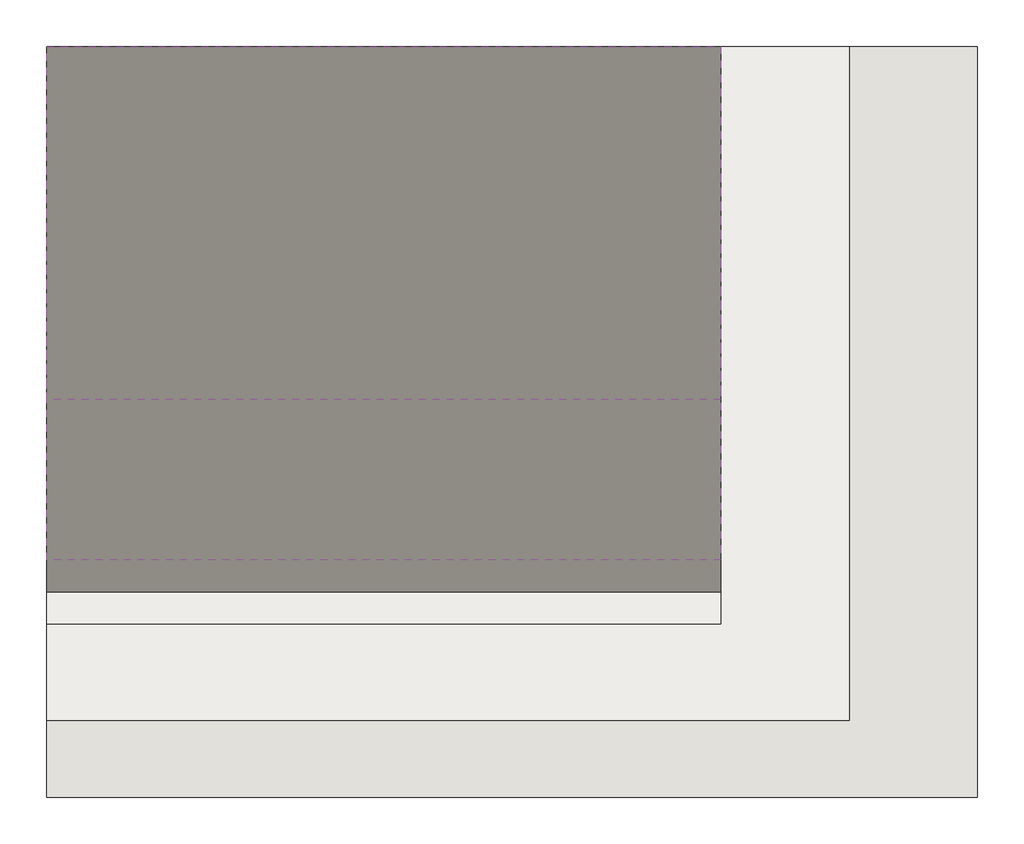
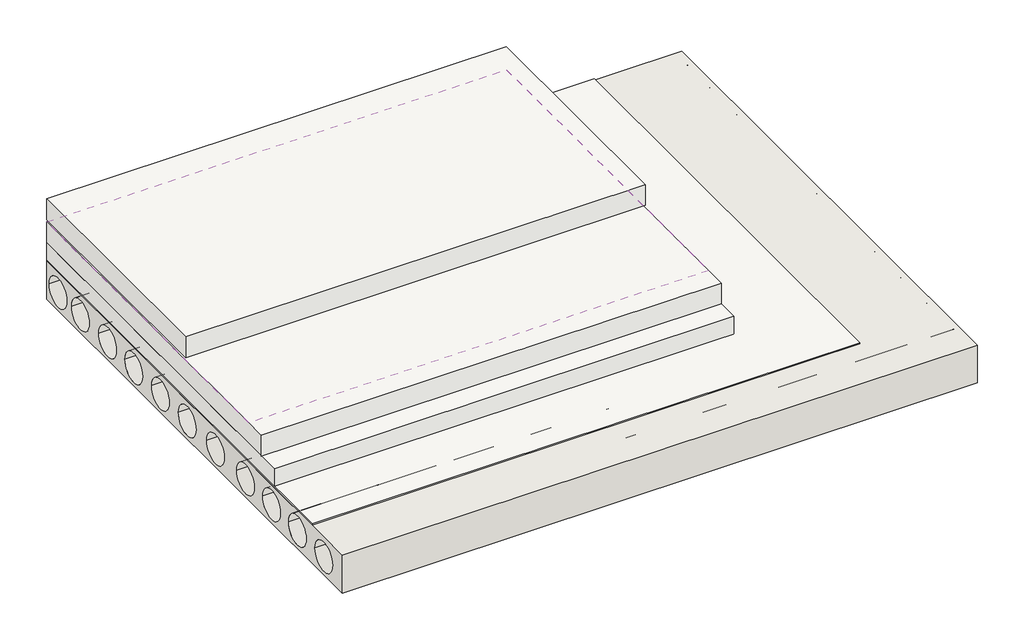
# One storey: 3 slabs, 2 coverings, 1 wall.
"""IFC4 building model written with IfcOpenShell, lengths in millimetres."""

from ifc_helpers import new_model, si_unit, point, frame, frame_2d, origin, origin_with_axes, place, context, project, spatial, polyline, circle_curve, trimmed, segment, composite_curve, outline, extrude, element, save

model = new_model("IFC4")

# Units and contexts
model_context = context("Model", 3, world=origin())
ifc_project = project(units=[si_unit("LENGTHUNIT", "METRE", prefix="MILLI")], contexts=[model_context])

# Site, building, storey
site = spatial("IfcSite", under=ifc_project)
building = spatial("IfcBuilding", under=site)
storey = spatial("IfcBuildingStorey", under=building, Elevation=0.0)

# Coverings
placement = place(None, origin())
element("IfcCovering", 1, at=placement, inside=storey, context=model_context, shape_type="SweptSolid", body=[
    extrude(outline(polyline([(12403.1354143, 12113.1146495), (12403.1354143, -8886.8853505), (-12596.8645857, -8886.8853505), (-12596.8645857, 12113.1146495), (12403.1354143, 12113.1146495)])), origin_with_axes(), (0.0, 0.0, 1.0), 57.0),
])
element("IfcCovering", 2, at=placement, inside=storey, context=model_context, shape_type="SweptSolid", body=[
    extrude(outline(polyline([(8403.1354143, 12113.1146495), (8403.1354143, -3886.8853505), (-12596.8645857, -3886.8853505), (-12596.8645857, 12113.1146495), (8403.1354143, 12113.1146495)])), frame((0.0, 0.0, 1907.0), z_axis=(0.0, 0.0, 1.0), x_axis=(1.0, 0.0, 0.0)), (0.0, 0.0, 1.0), 52.0),
])

# Slabs
element("IfcSlab", 3, at=placement, inside=storey, context=model_context, shape_type="SweptSolid", body=[
    extrude(outline(polyline([(8403.1354143, 12113.1146495), (8403.1354143, -5886.8853505), (-12596.8645857, -5886.8853505), (-12596.8645857, 12113.1146495), (8403.1354143, 12113.1146495)])), frame((0.0, 0.0, 57.0), z_axis=(0.0, 0.0, 1.0), x_axis=(1.0, 0.0, 0.0)), (0.0, 0.0, 1.0), 850.0),
])
element("IfcSlab", 4, at=placement, inside=storey, context=model_context, shape_type="SweptSolid", body=[
    extrude(outline(polyline([(8403.1354143, 12113.1146495), (8403.1354143, -4886.8853505), (-12596.8645857, -4886.8853505), (-12596.8645857, 12113.1146495), (8403.1354143, 12113.1146495)])), frame((0.0, 0.0, 907.0), z_axis=(0.0, 0.0, 1.0), x_axis=(1.0, 0.0, 0.0)), (0.0, 0.0, 1.0), 1000.0),
])
element("IfcSlab", 5, at=placement, inside=storey, context=model_context, shape_type="SweptSolid", body=[
    extrude(outline(polyline([(8403.1354143, 12113.1146495), (8403.1354143, 1113.1146495), (-12596.8645857, 1113.1146495), (-12596.8645857, 12113.1146495), (8403.1354143, 12113.1146495)])), frame((0.0, 0.0, 2021.0), z_axis=(0.0, 0.0, 1.0), x_axis=(1.0, 0.0, 0.0)), (0.0, 0.0, 1.0), 1000.0),
])

# Wall
element("IfcWall", 6, at=placement, inside=storey, context=model_context, shape_type="SweptSolid", body=[
    extrude(outline(polyline([(12113.1146495, -1826.6396079), (-11286.8853505, -1826.6396079), (-11286.8853505, 0.0), (12113.1146495, 0.0), (12113.1146495, -1826.6396079)]), holes=[composite_curve([segment(trimmed(circle_curve(frame_2d((-9812.946223, -955.6739137)), 700.0), [point((-10512.946223, -955.6739137))], [point((-9112.946223, -955.6739137))], True, "CARTESIAN"), True, "CONTINUOUS"), segment(trimmed(circle_curve(frame_2d((-9812.946223, -955.6739137)), 700.0), [point((-9112.946223, -955.6739137))], [point((-10512.946223, -955.6739137))], True, "CARTESIAN"), True, "CONTINUOUS")], self_intersect=False), composite_curve([segment(trimmed(circle_curve(frame_2d((-7726.5355352, -955.6739137)), 700.0), [point((-8426.5355352, -955.6739137))], [point((-7026.5355352, -955.6739137))], True, "CARTESIAN"), True, "CONTINUOUS"), segment(trimmed(circle_curve(frame_2d((-7726.5355352, -955.6739137)), 700.0), [point((-7026.5355352, -955.6739137))], [point((-8426.5355352, -955.6739137))], True, "CARTESIAN"), True, "CONTINUOUS")], self_intersect=False), composite_curve([segment(trimmed(circle_curve(frame_2d((-5687.1160791, -955.6739137)), 700.0), [point((-6387.1160791, -955.6739137))], [point((-4987.1160791, -955.6739137))], True, "CARTESIAN"), True, "CONTINUOUS"), segment(trimmed(circle_curve(frame_2d((-5687.1160791, -955.6739137)), 700.0), [point((-4987.1160791, -955.6739137))], [point((-6387.1160791, -955.6739137))], True, "CARTESIAN"), True, "CONTINUOUS")], self_intersect=False), composite_curve([segment(trimmed(circle_curve(frame_2d((-3628.9001303, -955.6739137)), 700.0), [point((-4328.9001303, -955.6739137))], [point((-2928.9001303, -955.6739137))], True, "CARTESIAN"), True, "CONTINUOUS"), segment(trimmed(circle_curve(frame_2d((-3628.9001303, -955.6739137)), 700.0), [point((-2928.9001303, -955.6739137))], [point((-4328.9001303, -955.6739137))], True, "CARTESIAN"), True, "CONTINUOUS")], self_intersect=False), composite_curve([segment(trimmed(circle_curve(frame_2d((-1251.1438059, -955.6739137)), 700.0), [point((-1951.1438059, -955.6739137))], [point((-551.1438059, -955.6739137))], True, "CARTESIAN"), True, "CONTINUOUS"), segment(trimmed(circle_curve(frame_2d((-1251.1438059, -955.6739137)), 700.0), [point((-551.1438059, -955.6739137))], [point((-1951.1438059, -955.6739137))], True, "CARTESIAN"), True, "CONTINUOUS")], self_intersect=False), composite_curve([segment(trimmed(circle_curve(frame_2d((985.6388234, -955.6739137)), 700.0), [point((285.6388234, -955.6739137))], [point((1685.6388234, -955.6739137))], True, "CARTESIAN"), True, "CONTINUOUS"), segment(trimmed(circle_curve(frame_2d((985.6388234, -955.6739137)), 700.0), [point((1685.6388234, -955.6739137))], [point((285.6388234, -955.6739137))], True, "CARTESIAN"), True, "CONTINUOUS")], self_intersect=False), composite_curve([segment(trimmed(circle_curve(frame_2d((3109.6424966, -955.6739137)), 700.0), [point((2409.6424966, -955.6739137))], [point((3809.6424966, -955.6739137))], True, "CARTESIAN"), True, "CONTINUOUS"), segment(trimmed(circle_curve(frame_2d((3109.6424966, -955.6739137)), 700.0), [point((3809.6424966, -955.6739137))], [point((2409.6424966, -955.6739137))], True, "CARTESIAN"), True, "CONTINUOUS")], self_intersect=False), composite_curve([segment(trimmed(circle_curve(frame_2d((5214.8496771, -955.6739137)), 700.0), [point((4514.8496771, -955.6739137))], [point((5914.8496771, -955.6739137))], True, "CARTESIAN"), True, "CONTINUOUS"), segment(trimmed(circle_curve(frame_2d((5214.8496771, -955.6739137)), 700.0), [point((5914.8496771, -955.6739137))], [point((4514.8496771, -955.6739137))], True, "CARTESIAN"), True, "CONTINUOUS")], self_intersect=False), composite_curve([segment(trimmed(circle_curve(frame_2d((7282.4638722, -955.6739137)), 700.0), [point((6582.4638722, -955.6739137))], [point((7982.4638722, -955.6739137))], True, "CARTESIAN"), True, "CONTINUOUS"), segment(trimmed(circle_curve(frame_2d((7282.4638722, -955.6739137)), 700.0), [point((7982.4638722, -955.6739137))], [point((6582.4638722, -955.6739137))], True, "CARTESIAN"), True, "CONTINUOUS")], self_intersect=False), composite_curve([segment(trimmed(circle_curve(frame_2d((9434.6622844, -955.6739137)), 700.0), [point((8734.6622844, -955.6739137))], [point((10134.6622844, -955.6739137))], True, "CARTESIAN"), True, "CONTINUOUS"), segment(trimmed(circle_curve(frame_2d((9434.6622844, -955.6739137)), 700.0), [point((10134.6622844, -955.6739137))], [point((8734.6622844, -955.6739137))], True, "CARTESIAN"), True, "CONTINUOUS")], self_intersect=False), composite_curve([segment(trimmed(circle_curve(frame_2d((11210.930843, -955.6739137)), 700.0), [point((10510.930843, -955.6739137))], [point((11910.930843, -955.6739137))], True, "CARTESIAN"), True, "CONTINUOUS"), segment(trimmed(circle_curve(frame_2d((11210.930843, -955.6739137)), 700.0), [point((11910.930843, -955.6739137))], [point((10510.930843, -955.6739137))], True, "CARTESIAN"), True, "CONTINUOUS")], self_intersect=False)]), frame((-12596.8645857, 0.0, 0.0), z_axis=(1.0, 0.0, 0.0), x_axis=(0.0, 1.0, 0.0)), (0.0, 0.0, 1.0), 29000.0),
])

save(model, "model.ifc")
